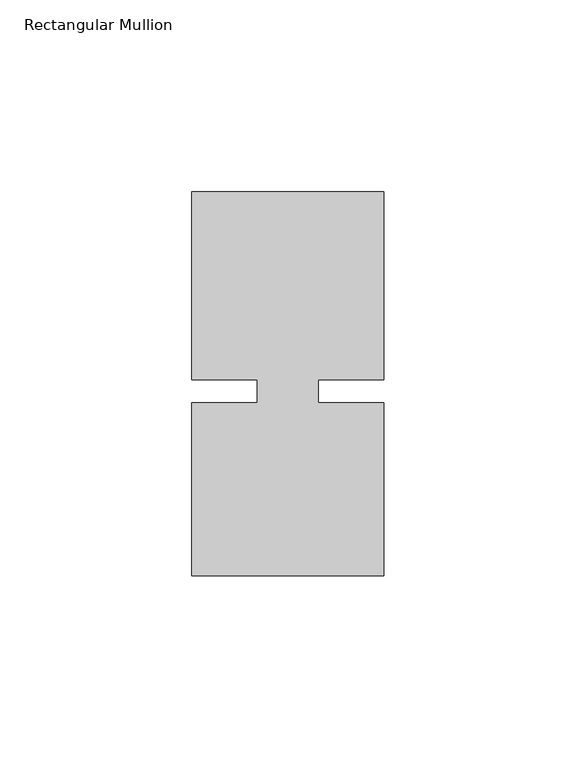
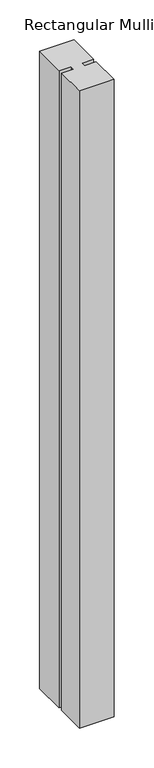
"""IFC4 building model written with IfcOpenShell, lengths in millimetres: member geometry, Rectangular Mullion."""

from ifc_helpers import new_model, si_unit, frame, origin, place, context, project, spatial, polyline, outline, extrude, source, transform, mapped, element, save


def rectangular_mullion_5a2eba83(model_context):
    return source(origin(), model_context, "Body", "SweptSolid", [
        extrude(outline(polyline([(8.0004618, -3.0000161), (25.0, -3.000024), (24.9999791, -48.000024), (-25.0000209, -48.0000007), (-25.0, -3.0000007), (-8.0004617, -3.0000086), (-8.0004589, 3.0000086), (-24.9999972, 3.0000166), (-24.9999743, 51.9999993), (25.0000011, 51.9999711), (24.9999734, 2.9999933), (8.0004646, 3.0000012), (8.0004618, -3.0000161)])), frame((0.0, 0.0, -975.9288255), z_axis=(0.0, 0.0, 1.0), x_axis=(1.0, 0.0, 0.0)), (0.0, 0.0, 1.0), 975.9288255),
    ])


if __name__ == "__main__":
    model = new_model("IFC4")
    model_context = context("Model", 3, world=origin())
    ifc_project = project(units=[si_unit("LENGTHUNIT", "METRE", prefix="MILLI")], contexts=[model_context])
    site = spatial("IfcSite", under=ifc_project)
    building = spatial("IfcBuilding", under=site)
    placement = place(None, origin())
    rectangular_mullion_shape = rectangular_mullion_5a2eba83(model_context)
    element("IfcMember", 1, ObjectType="Rectangular Mullion", at=placement, inside=building, context=model_context, shape_type="MappedRepresentation", body=[
        mapped(rectangular_mullion_shape, transform((0.0, 0.0, 0.0), x_axis=(1.0, 0.0, 0.0), y_axis=(0.0, 1.0, 0.0), z_axis=(0.0, 0.0, 1.0))),
    ])
    save(model, "model.ifc")
